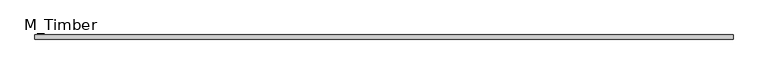
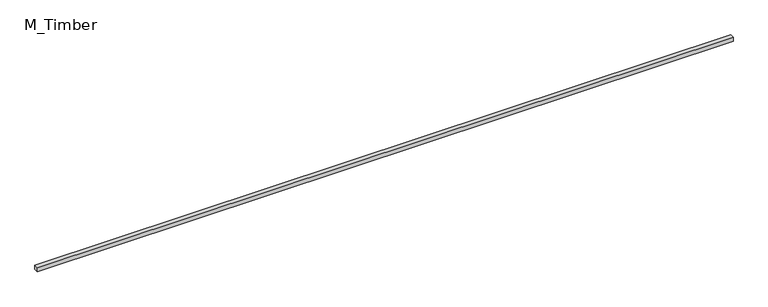
"""IFC4 building model written with IfcOpenShell, lengths in millimetres: beam geometry, M_Timber."""

from ifc_helpers import new_model, si_unit, frame, origin, place, context, project, spatial, polyline, outline, extrude, source, transform, mapped, element, save


def m_timber_ed25365e(model_context):
    return source(origin(), model_context, "Body", "SweptSolid", [
        extrude(outline(polyline([(3353.7772486, 20.0), (3353.7772486, -20.0), (-3353.7772486, -20.0), (-3353.7772486, 20.0), (3353.7772486, 20.0)])), frame((0.0, 0.0, -20.0), z_axis=(0.0, 0.0, 1.0), x_axis=(1.0, 0.0, 0.0)), (0.0, 0.0, 1.0), 40.0),
    ])


if __name__ == "__main__":
    model = new_model("IFC4")
    model_context = context("Model", 3, world=origin())
    ifc_project = project(units=[si_unit("LENGTHUNIT", "METRE", prefix="MILLI")], contexts=[model_context])
    site = spatial("IfcSite", under=ifc_project)
    building = spatial("IfcBuilding", under=site)
    placement = place(None, origin())
    m_timber_shape = m_timber_ed25365e(model_context)
    element("IfcBeam", 1, ObjectType="M_Timber", at=placement, inside=building, context=model_context, shape_type="MappedRepresentation", body=[
        mapped(m_timber_shape, transform((0.0, 0.0, 0.0), x_axis=(1.0, 0.0, 0.0), y_axis=(0.0, 1.0, 0.0), z_axis=(0.0, 0.0, 1.0))),
    ])
    save(model, "model.ifc")
